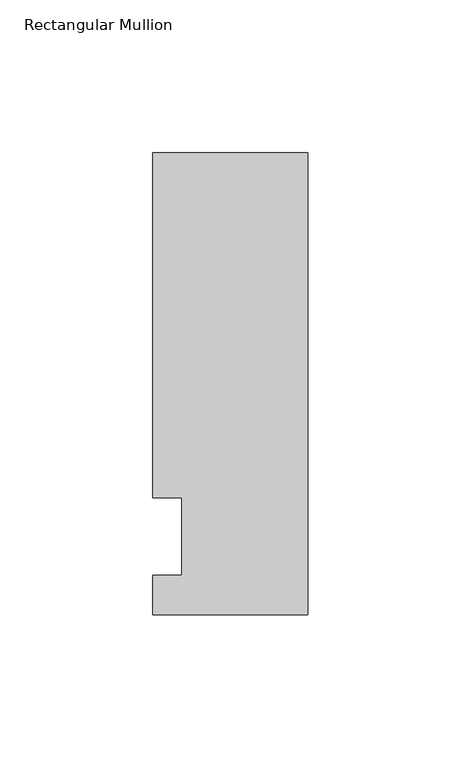
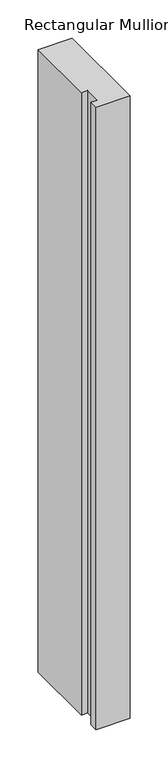
"""IFC4 building model written with IfcOpenShell, lengths in millimetres: member geometry, Rectangular Mullion."""

from ifc_helpers import new_model, si_unit, frame, origin, place, context, project, spatial, polyline, outline, extrude, source, transform, mapped, element, save


def rectangular_mullion_9f671f19(model_context):
    return source(origin(), model_context, "Body", "SweptSolid", [
        extrude(outline(polyline([(-50.8, -25.5984375), (-50.8, -12.7), (-41.275, -12.7), (-41.275, 12.7), (-50.8, 12.7), (-50.8, 125.6109375), (0.0, 125.6109375), (0.0, -25.5984375), (-50.8, -25.5984375)])), frame((0.0, 0.0, -990.6), z_axis=(0.0, 0.0, 1.0), x_axis=(1.0, 0.0, 0.0)), (0.0, 0.0, 1.0), 990.6),
    ])


if __name__ == "__main__":
    model = new_model("IFC4")
    model_context = context("Model", 3, world=origin())
    ifc_project = project(units=[si_unit("LENGTHUNIT", "METRE", prefix="MILLI")], contexts=[model_context])
    site = spatial("IfcSite", under=ifc_project)
    building = spatial("IfcBuilding", under=site)
    placement = place(None, origin())
    rectangular_mullion_shape = rectangular_mullion_9f671f19(model_context)
    element("IfcMember", 1, ObjectType="Rectangular Mullion", at=placement, inside=building, context=model_context, shape_type="MappedRepresentation", body=[
        mapped(rectangular_mullion_shape, transform((0.0, 0.0, 0.0), x_axis=(1.0, 0.0, 0.0), y_axis=(0.0, 1.0, 0.0), z_axis=(0.0, 0.0, 1.0))),
    ])
    save(model, "model.ifc")
